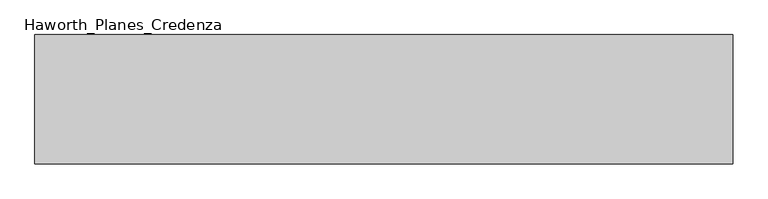
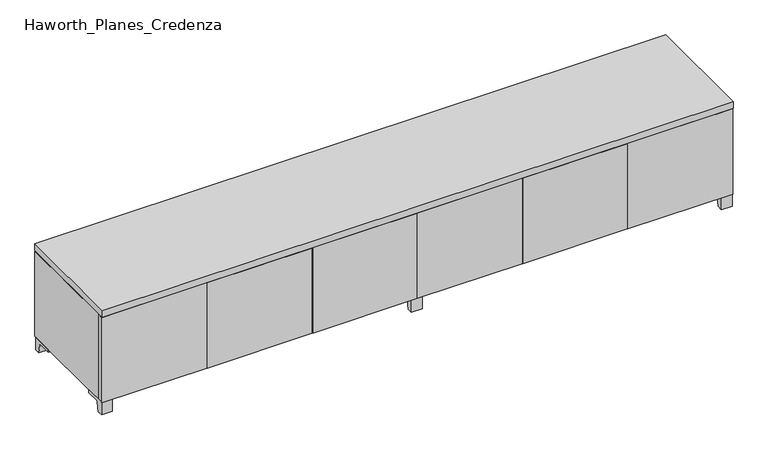
"""IFC4 building model written with IfcOpenShell, lengths in millimetres: furniture geometry, Haworth_Planes_Credenza."""

from ifc_helpers import new_model, si_unit, point, frame, frame_2d, origin, place, context, project, spatial, polyline, circle_curve, trimmed, segment, composite_curve, outline, extrude, faceted_brep, source, transform, mapped, element, save


def haworth_planes_credenza_de38142d(model_context):
    return source(origin(), model_context, "Body", "SolidModel", [
        extrude(outline(composite_curve([segment(polyline([(-368.5593029, 0.0), (-392.900956, 0.0), (-392.900956, 57.15), (-297.650956, 57.15), (-297.650956, 44.45), (-355.7717125, 44.45)]), True, "CONTINUOUS"), segment(trimmed(circle_curve(frame_2d((-355.7717125, 38.1)), 6.35), [point((-355.7717125, 44.45))], [point((-362.0353139, 39.1439336))], True, "CARTESIAN"), True, "CONTINUOUS"), segment(polyline([(-362.0353139, 39.1439336), (-368.5593029, 0.0)]), True, "CONTINUOUS")], self_intersect=False)), frame((1639.5480475, 0.0, 0.0), z_axis=(1.0, 0.0, 0.0), x_axis=(0.0, 1.0, 0.0)), (0.0, 0.0, 1.0), 47.625),
        extrude(outline(composite_curve([segment(polyline([(78.0573909, 0.0), (71.533402, 39.1439336)]), True, "CONTINUOUS"), segment(trimmed(circle_curve(frame_2d((65.2698006, 38.1)), 6.35), [point((71.533402, 39.1439336))], [point((65.2698006, 44.45))], True, "CARTESIAN"), True, "CONTINUOUS"), segment(polyline([(65.2698006, 44.45), (7.149044, 44.45), (7.149044, 57.15), (102.399044, 57.15), (102.399044, 0.0), (78.0573909, 0.0)]), True, "CONTINUOUS")], self_intersect=False)), frame((1639.5480475, 0.0, 0.0), z_axis=(1.0, 0.0, 0.0), x_axis=(0.0, 1.0, 0.0)), (0.0, 0.0, 1.0), 47.625),
        extrude(outline(composite_curve([segment(polyline([(-368.5593029, 0.0), (-392.900956, 0.0), (-392.900956, 57.15), (-297.650956, 57.15), (-297.650956, 44.45), (-355.7717125, 44.45)]), True, "CONTINUOUS"), segment(trimmed(circle_curve(frame_2d((-355.7717125, 38.1)), 6.35), [point((-355.7717125, 44.45))], [point((-362.0353139, 39.1439336))], True, "CARTESIAN"), True, "CONTINUOUS"), segment(polyline([(-362.0353139, 39.1439336), (-368.5593029, 0.0)]), True, "CONTINUOUS")], self_intersect=False)), frame((-1056.0269525, 0.0, 0.0), z_axis=(1.0, 0.0, 0.0), x_axis=(0.0, 1.0, 0.0)), (0.0, 0.0, 1.0), 47.625),
        extrude(outline(composite_curve([segment(polyline([(78.0573909, 0.0), (71.533402, 39.1439336)]), True, "CONTINUOUS"), segment(trimmed(circle_curve(frame_2d((65.2698006, 38.1)), 6.35), [point((71.533402, 39.1439336))], [point((65.2698006, 44.45))], True, "CARTESIAN"), True, "CONTINUOUS"), segment(polyline([(65.2698006, 44.45), (7.149044, 44.45), (7.149044, 57.15), (102.399044, 57.15), (102.399044, 0.0), (78.0573909, 0.0)]), True, "CONTINUOUS")], self_intersect=False)), frame((-1056.0269525, 0.0, 0.0), z_axis=(1.0, 0.0, 0.0), x_axis=(0.0, 1.0, 0.0)), (0.0, 0.0, 1.0), 47.625),
        extrude(outline(composite_curve([segment(polyline([(-368.5593029, 0.0), (-392.900956, 0.0), (-392.900956, 57.15), (-297.650956, 57.15), (-297.650956, 44.45), (-355.7717125, 44.45)]), True, "CONTINUOUS"), segment(trimmed(circle_curve(frame_2d((-355.7717125, 38.1)), 6.35), [point((-355.7717125, 44.45))], [point((-362.0353139, 39.1439336))], True, "CARTESIAN"), True, "CONTINUOUS"), segment(polyline([(-362.0353139, 39.1439336), (-368.5593029, 0.0)]), True, "CONTINUOUS")], self_intersect=False)), frame((291.7605475, 0.0, 0.0), z_axis=(1.0, 0.0, 0.0), x_axis=(0.0, 1.0, 0.0)), (0.0, 0.0, 1.0), 47.625),
        extrude(outline(composite_curve([segment(polyline([(78.0573909, 0.0), (71.533402, 39.1439336)]), True, "CONTINUOUS"), segment(trimmed(circle_curve(frame_2d((65.2698006, 38.1)), 6.35), [point((71.533402, 39.1439336))], [point((65.2698006, 44.45))], True, "CARTESIAN"), True, "CONTINUOUS"), segment(polyline([(65.2698006, 44.45), (7.149044, 44.45), (7.149044, 57.15), (102.399044, 57.15), (102.399044, 0.0), (78.0573909, 0.0)]), True, "CONTINUOUS")], self_intersect=False)), frame((291.7605475, 0.0, 0.0), z_axis=(1.0, 0.0, 0.0), x_axis=(0.0, 1.0, 0.0)), (0.0, 0.0, 1.0), 47.625),
        extrude(outline(polyline([(1229.1792975, -396.075956), (773.5667975, -396.075956), (773.5667975, -370.675956), (1229.1792975, -370.675956), (1229.1792975, -396.075956)])), frame((0.0, 0.0, 57.15), z_axis=(0.0, 0.0, 1.0), x_axis=(1.0, 0.0, 0.0)), (0.0, 0.0, 1.0), 392.1125),
        extrude(outline(polyline([(315.5730475, -396.075956), (315.5730475, -370.675956), (771.1855475, -370.675956), (771.1855475, -396.075956), (315.5730475, -396.075956)])), frame((0.0, 0.0, 57.15), z_axis=(0.0, 0.0, 1.0), x_axis=(1.0, 0.0, 0.0)), (0.0, 0.0, 1.0), 392.1125),
        extrude(outline(polyline([(1687.1730475, -396.075956), (1231.5605475, -396.075956), (1231.5605475, -370.675956), (1687.1730475, -370.675956), (1687.1730475, -396.075956)])), frame((0.0, 0.0, 57.15), z_axis=(0.0, 0.0, 1.0), x_axis=(1.0, 0.0, 0.0)), (0.0, 0.0, 1.0), 392.1125),
        faceted_brep([(315.5730475, -370.675956, 449.2625), (315.5730475, -370.675956, 57.15), (1687.1730475, -370.675956, 57.15), (1687.1730475, -370.675956, 449.2625), (1661.7730475, -370.675956, 449.2625), (1661.7730475, -370.675956, 452.4375), (340.9730475, -370.675956, 452.4375), (340.9730475, -370.675956, 449.2625), (315.5730475, 108.749044, 449.2625), (1687.1730475, 108.749044, 449.2625), (1687.1730475, 108.749044, 57.15), (315.5730475, 108.749044, 57.15), (340.9730475, 83.349044, 449.2625), (1661.7730475, 83.349044, 449.2625), (340.9730475, 83.349044, 452.4375), (1661.7730475, 83.349044, 452.4375)], [[[0, 1, 2, 3, 4, 5, 6, 7]], [[8, 9, 10, 11]], [[1, 0, 8, 11]], [[2, 1, 11, 10]], [[3, 2, 10, 9]], [[9, 8, 0, 7, 12, 13, 4, 3]], [[14, 15, 13, 12]], [[7, 6, 14, 12]], [[5, 4, 13, 15]], [[6, 5, 15, 14]]]),
        extrude(outline(polyline([(-142.4207025, -396.075956), (-598.0332025, -396.075956), (-598.0332025, -370.675956), (-142.4207025, -370.675956), (-142.4207025, -396.075956)])), frame((0.0, 0.0, 57.15), z_axis=(0.0, 0.0, 1.0), x_axis=(1.0, 0.0, 0.0)), (0.0, 0.0, 1.0), 392.1125),
        extrude(outline(polyline([(-1056.0269525, -396.075956), (-1056.0269525, -370.675956), (-600.4144525, -370.675956), (-600.4144525, -396.075956), (-1056.0269525, -396.075956)])), frame((0.0, 0.0, 57.15), z_axis=(0.0, 0.0, 1.0), x_axis=(1.0, 0.0, 0.0)), (0.0, 0.0, 1.0), 392.1125),
        extrude(outline(polyline([(315.5730475, -396.075956), (-140.0394525, -396.075956), (-140.0394525, -370.675956), (315.5730475, -370.675956), (315.5730475, -396.075956)])), frame((0.0, 0.0, 57.15), z_axis=(0.0, 0.0, 1.0), x_axis=(1.0, 0.0, 0.0)), (0.0, 0.0, 1.0), 392.1125),
        faceted_brep([(-1056.0269525, -370.675956, 449.2625), (-1056.0269525, -370.675956, 57.15), (315.5730475, -370.675956, 57.15), (315.5730475, -370.675956, 449.2625), (290.1730475, -370.675956, 449.2625), (290.1730475, -370.675956, 452.4375), (-1030.6269525, -370.675956, 452.4375), (-1030.6269525, -370.675956, 449.2625), (-1056.0269525, 108.749044, 449.2625), (315.5730475, 108.749044, 449.2625), (315.5730475, 108.749044, 57.15), (-1056.0269525, 108.749044, 57.15), (-1030.6269525, 83.349044, 449.2625), (290.1730475, 83.349044, 449.2625), (-1030.6269525, 83.349044, 452.4375), (290.1730475, 83.349044, 452.4375)], [[[0, 1, 2, 3, 4, 5, 6, 7]], [[8, 9, 10, 11]], [[1, 0, 8, 11]], [[2, 1, 11, 10]], [[3, 2, 10, 9]], [[9, 8, 0, 7, 12, 13, 4, 3]], [[14, 15, 13, 12]], [[7, 6, 14, 12]], [[5, 4, 13, 15]], [[6, 5, 15, 14]]]),
        extrude(outline(polyline([(1687.1730475, 108.749044), (1687.1730475, -399.250956), (-1056.0269525, -399.250956), (-1056.0269525, 108.749044), (1687.1730475, 108.749044)])), frame((0.0, 0.0, 452.4375), z_axis=(0.0, 0.0, 1.0), x_axis=(1.0, 0.0, 0.0)), (0.0, 0.0, 1.0), 30.1625),
    ])


if __name__ == "__main__":
    model = new_model("IFC4")
    model_context = context("Model", 3, world=origin())
    ifc_project = project(units=[si_unit("LENGTHUNIT", "METRE", prefix="MILLI")], contexts=[model_context])
    site = spatial("IfcSite", under=ifc_project)
    building = spatial("IfcBuilding", under=site)
    placement = place(None, origin())
    haworth_planes_credenza_shape = haworth_planes_credenza_de38142d(model_context)
    element("IfcFurniture", 1, ObjectType="Haworth_Planes_Credenza", at=placement, inside=building, context=model_context, shape_type="MappedRepresentation", body=[
        mapped(haworth_planes_credenza_shape, transform((0.0, 0.0, 0.0), x_axis=(1.0, 0.0, 0.0), y_axis=(0.0, 1.0, 0.0), z_axis=(0.0, 0.0, 1.0))),
    ])
    save(model, "model.ifc")
